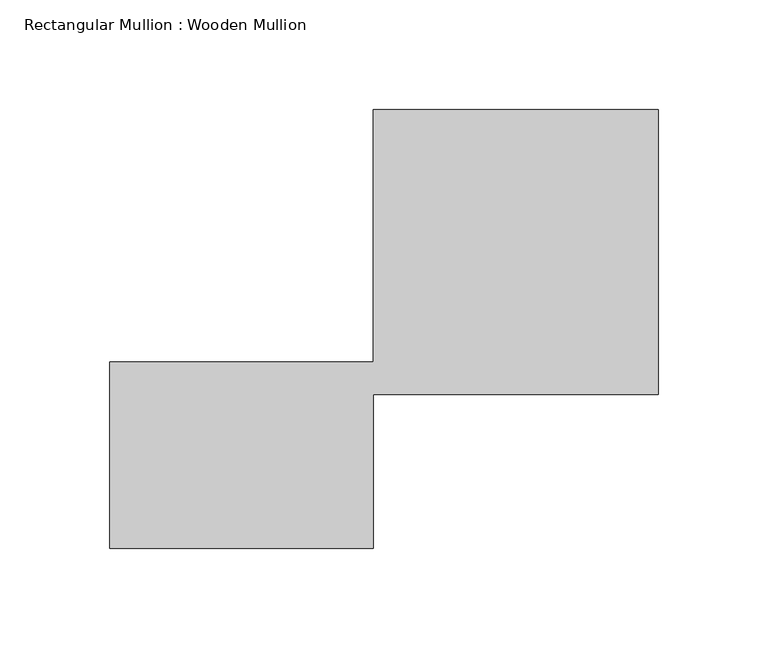
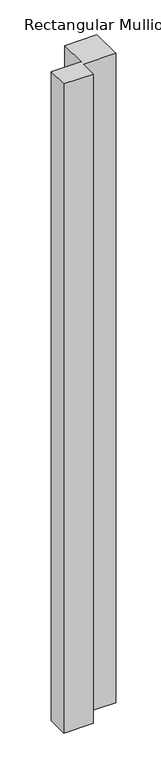
"""IFC4 building model written with IfcOpenShell, lengths in millimetres: member geometry, Rectangular Mullion : Wooden Mullion."""

from ifc_helpers import new_model, si_unit, frame, origin, place, context, project, spatial, polyline, outline, extrude, source, transform, mapped, element, save


def rectangular_mullion_wooden_mullion_344ac3b6(model_context):
    return source(origin(), model_context, "Body", "SweptSolid", [
        extrude(outline(polyline([(74.8100006, -26.0137344), (-45.1899994, -26.0137344), (-45.1899994, 58.9862656), (74.8100006, 58.9862656), (74.8100006, 173.9862656), (204.8100006, 173.9862656), (204.8100006, 43.9862656), (74.8100006, 43.9862656), (74.8100006, -26.0137344)])), frame((0.0, 0.0, -2764.9180032), z_axis=(0.0, 0.0, 1.0), x_axis=(1.0, 0.0, 0.0)), (0.0, 0.0, 1.0), 2764.9180032),
    ])


if __name__ == "__main__":
    model = new_model("IFC4")
    model_context = context("Model", 3, world=origin())
    ifc_project = project(units=[si_unit("LENGTHUNIT", "METRE", prefix="MILLI")], contexts=[model_context])
    site = spatial("IfcSite", under=ifc_project)
    building = spatial("IfcBuilding", under=site)
    placement = place(None, origin())
    rectangular_mullion_wooden_mullion_shape = rectangular_mullion_wooden_mullion_344ac3b6(model_context)
    element("IfcMember", 1, ObjectType="Rectangular Mullion : Wooden Mullion", at=placement, inside=building, context=model_context, shape_type="MappedRepresentation", body=[
        mapped(rectangular_mullion_wooden_mullion_shape, transform((0.0, 0.0, 0.0), x_axis=(1.0, 0.0, 0.0), y_axis=(0.0, 1.0, 0.0), z_axis=(0.0, 0.0, 1.0))),
    ])
    save(model, "model.ifc")
